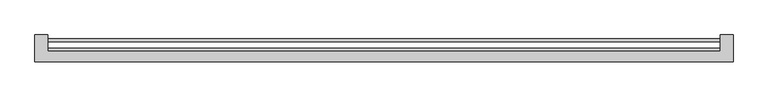
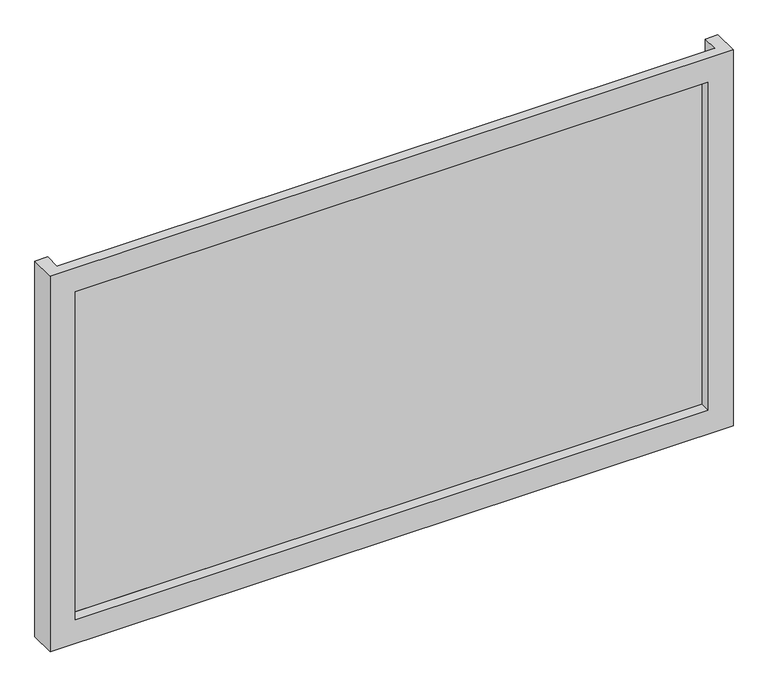
"""IFC4 building model written with IfcOpenShell, lengths in millimetres: plate geometry."""

import ifcopenshell
import ifcopenshell.guid

model = None  # the IFC model being written
_history = None  # IfcOwnerHistory: only IFC2X3 demands one
_inside = {}  # id of a spatial element -> (the spatial element, [elements in it])
_under = {}  # id of a project, library or spatial element -> (it, [spatial elements below it])
_declared = {}  # id of a project -> (the project, [libraries it declares])
_typed = {}  # id of a type object -> (the type object, [elements of that type])
_made_of = {}  # id of a material, layer set ... -> (it, [elements and type objects made of it])


def new_model(schema):
    """Start an empty IFC model of exactly this schema.

    Asked for "IFC4X3", IfcOpenShell would pick the latest addendum, in which some entities
    have other attributes; the version numbers below select the first issue.
    IFC2X3 requires an IfcOwnerHistory on every rooted entity: one is made here for all.
    """
    global model, _history
    if schema == "IFC4X3":
        model = ifcopenshell.file(schema_version=(4, 3, 0, 0))
    else:
        model = ifcopenshell.file(schema=schema)
    _inside.clear()
    _under.clear()
    _declared.clear()
    _typed.clear()
    _made_of.clear()
    _history = None
    if model.schema == "IFC2X3":
        org = make("IfcOrganization", Name="unknown")
        user = make(
            "IfcPersonAndOrganization",
            ThePerson=make("IfcPerson", FamilyName="unknown"),
            TheOrganization=org,
        )
        app = make(
            "IfcApplication",
            ApplicationDeveloper=org,
            Version="unknown",
            ApplicationFullName="unknown",
            ApplicationIdentifier="unknown",
        )
        _history = make(
            "IfcOwnerHistory",
            OwningUser=user,
            OwningApplication=app,
            ChangeAction="ADDED",
            CreationDate=0,
        )
    return model


def make(cls, **values):
    """One entity of the class cls with the attributes given. An attribute that is None is left unset."""
    return model.create_entity(
        cls, **{name: value for name, value in values.items() if value is not None}
    )


def rooted(cls, **values):
    """An entity with a GlobalId (a new one), such as an element, a storey or a relation."""
    return make(cls, GlobalId=ifcopenshell.guid.new(), OwnerHistory=_history, **values)


def si_unit(unit_type, name, prefix=None):
    """IfcSIUnit, for example si_unit("LENGTHUNIT", "METRE", prefix="MILLI")."""
    return make("IfcSIUnit", UnitType=unit_type, Prefix=prefix, Name=name)


def assignment(units):
    """IfcUnitAssignment: the units of a project."""
    return None if units is None else make("IfcUnitAssignment", Units=units)


def point(xyz):
    """IfcCartesianPoint."""
    return None if xyz is None else make("IfcCartesianPoint", Coordinates=xyz)


def direction(xyz):
    """IfcDirection."""
    return None if xyz is None else make("IfcDirection", DirectionRatios=xyz)


def frame(location, z_axis=None, x_axis=None):
    """IfcAxis2Placement3D, a coordinate frame: its origin and axes. An axis left out is left unset."""
    return make(
        "IfcAxis2Placement3D",
        Location=point(location),
        Axis=direction(z_axis),
        RefDirection=direction(x_axis),
    )


def origin():
    """The frame at (0, 0, 0) with its axes left unset."""
    return frame((0.0, 0.0, 0.0))


def origin_with_axes():
    """The frame at (0, 0, 0) with the z axis (0, 0, 1) and the x axis (1, 0, 0) written out."""
    return frame((0.0, 0.0, 0.0), z_axis=(0.0, 0.0, 1.0), x_axis=(1.0, 0.0, 0.0))


def place(relative_to, where):
    """IfcLocalPlacement: puts the frame where relative to a parent placement (None: the world)."""
    return make(
        "IfcLocalPlacement", PlacementRelTo=relative_to, RelativePlacement=where
    )


def context(
    kind, dimensions, precision=None, world=None, true_north=None, identifier=None
):
    """IfcGeometricRepresentationContext, for example the 3D "Model" context."""
    return make(
        "IfcGeometricRepresentationContext",
        ContextIdentifier=identifier,
        ContextType=kind,
        CoordinateSpaceDimension=dimensions,
        Precision=precision,
        WorldCoordinateSystem=world,
        TrueNorth=true_north,
    )


def project(units=None, contexts=None):
    """IfcProject with its units and contexts."""
    return rooted(
        "IfcProject",
        Name="project",
        RepresentationContexts=contexts,
        UnitsInContext=assignment(units),
    )


def spatial(cls, under=None, at=None, **own):
    """A site, building, storey or space (cls), placed at a placement, below another one or the project."""
    s = rooted(cls, ObjectPlacement=at, **own)
    if under is not None:
        _under.setdefault(under.id(), (under, []))[1].append(s)
    return s


def polyline(points):
    """IfcPolyline through the points."""
    return make("IfcPolyline", Points=[point(p) for p in points])


def outline(outer, holes=None, kind="AREA"):
    """IfcArbitraryClosedProfileDef: a profile drawn as a closed curve; with holes, ...WithVoids."""
    if holes is None:
        return make("IfcArbitraryClosedProfileDef", ProfileType=kind, OuterCurve=outer)
    return make(
        "IfcArbitraryProfileDefWithVoids",
        ProfileType=kind,
        OuterCurve=outer,
        InnerCurves=holes,
    )


def extrude(swept, where, along, depth):
    """IfcExtrudedAreaSolid: the profile swept, set in the frame where, extruded along a direction by depth."""
    return make(
        "IfcExtrudedAreaSolid",
        SweptArea=swept,
        Position=where,
        ExtrudedDirection=direction(along),
        Depth=depth,
    )


def faces_of(points, faces, orient=None, outer=None):
    """IfcFace entities. A face is a list of loops; a loop is a list of indices into points, from 0.

    orient and outer hold one flag for each loop. By default every Orientation is true, the
    first loop of a face is its IfcFaceOuterBound and the others are IfcFaceBound.
    """
    made = []
    for i, loops in enumerate(faces):
        bounds = []
        for j, loop in enumerate(loops):
            is_outer = j == 0 if outer is None else outer[i][j]
            bounds.append(
                make(
                    "IfcFaceOuterBound" if is_outer else "IfcFaceBound",
                    Bound=make("IfcPolyLoop", Polygon=[points[k] for k in loop]),
                    Orientation=True if orient is None else orient[i][j],
                )
            )
        made.append(make("IfcFace", Bounds=bounds))
    return made


def faceted_brep(points, faces, orient=None, outer=None, voids=None):
    """IfcFacetedBrep: a solid bounded by flat faces; with voids (closed shells), ...WithVoids."""
    shared = [point(p) for p in points]
    hull = make("IfcClosedShell", CfsFaces=faces_of(shared, faces, orient, outer))
    if voids is None:
        return make("IfcFacetedBrep", Outer=hull)
    return make(
        "IfcFacetedBrepWithVoids",
        Outer=hull,
        Voids=[
            make(cls, CfsFaces=faces_of(shared, fs, o, b)) for cls, fs, o, b in voids
        ],
    )


def shape(context_of_items, identifier, shape_type, items):
    """IfcShapeRepresentation: the items that make up one representation, for example the "Body"."""
    return make(
        "IfcShapeRepresentation",
        ContextOfItems=context_of_items,
        RepresentationIdentifier=identifier,
        RepresentationType=shape_type,
        Items=items,
    )


def source(mapping_origin, context_of_items, identifier, shape_type, items):
    """IfcRepresentationMap: a shape defined once, which mapped items show again and again."""
    return make(
        "IfcRepresentationMap",
        MappingOrigin=mapping_origin,
        MappedRepresentation=shape(context_of_items, identifier, shape_type, items),
    )


def transform(
    local_origin,
    x_axis=None,
    y_axis=None,
    z_axis=None,
    scale=None,
    scale2=None,
    scale3=None,
    uniform=True,
):
    """IfcCartesianTransformationOperator3D, or its non-uniform kind. x_axis, y_axis, z_axis: its Axis1, 2, 3."""
    if uniform:
        return make(
            "IfcCartesianTransformationOperator3D",
            Axis1=direction(x_axis),
            Axis2=direction(y_axis),
            LocalOrigin=point(local_origin),
            Scale=scale,
            Axis3=direction(z_axis),
        )
    return make(
        "IfcCartesianTransformationOperator3DnonUniform",
        Axis1=direction(x_axis),
        Axis2=direction(y_axis),
        LocalOrigin=point(local_origin),
        Scale=scale,
        Axis3=direction(z_axis),
        Scale2=scale2,
        Scale3=scale3,
    )


def mapped(mapping_source, mapping_target):
    """IfcMappedItem: shows the shape of a source again, moved by a transform."""
    return make(
        "IfcMappedItem", MappingSource=mapping_source, MappingTarget=mapping_target
    )


def made_of(thing, what):
    """Note that an element or type object is made of a material, layer set ...; save() writes the relation."""
    if what is not None:
        _made_of.setdefault(what.id(), (what, []))[1].append(thing)
    return thing


def element(
    cls,
    number,
    at=None,
    inside=None,
    cuts=None,
    type_object=None,
    material=None,
    context=None,
    identifier="Body",
    shape_type=None,
    held_by="IfcProductDefinitionShape",
    body=None,
    shapes=None,
    **own,
):
    """One element of the class cls, such as IfcWall. Its Tag is "e" and its number.

    at: its placement. inside: the storey or other place that contains it. cuts: it is an
    opening in that element (IfcRelVoidsElement). A single representation is given by context,
    identifier, shape_type and body (its items); several are given by shapes. held_by: the class
    of the entity that holds the representations. save() writes the other relations.
    """
    e = rooted(cls, Tag="e%d" % number, ObjectPlacement=at, **own)
    if body is not None:
        shapes = [shape(context, identifier, shape_type, body)]
    if shapes is not None:
        e.Representation = make(held_by, Representations=shapes)
    if inside is not None:
        _inside.setdefault(inside.id(), (inside, []))[1].append(e)
    if cuts is not None:
        rooted(
            "IfcRelVoidsElement", RelatingBuildingElement=cuts, RelatedOpeningElement=e
        )
    if type_object is not None:
        _typed.setdefault(type_object.id(), (type_object, []))[1].append(e)
    return made_of(e, material)


def aggregate(whole, parts):
    """IfcRelAggregates: a whole, such as a stair, and the parts it consists of."""
    return rooted("IfcRelAggregates", RelatingObject=whole, RelatedObjects=parts)


def save(model, path):
    """Write the relations noted so far, then the file.

    IfcRelAggregates (storeys below a building ...), IfcRelContainedInSpatialStructure (elements
    in a storey), IfcRelDefinesByType, IfcRelAssociatesMaterial and IfcRelDeclares: one each for
    every whole, place, type object, material and project.
    """
    for whole, parts in _under.values():
        aggregate(whole, parts)
    for where, things in _inside.values():
        rooted(
            "IfcRelContainedInSpatialStructure",
            RelatedElements=things,
            RelatingStructure=where,
        )
    for kind, things in _typed.values():
        rooted("IfcRelDefinesByType", RelatedObjects=things, RelatingType=kind)
    for what, things in _made_of.values():
        rooted("IfcRelAssociatesMaterial", RelatedObjects=things, RelatingMaterial=what)
    for by, libraries in _declared.values():
        rooted("IfcRelDeclares", RelatingContext=by, RelatedDefinitions=libraries)
    model.write(path)


def plate_a0faae21(model_context):
    return source(origin(), model_context, "Body", "SolidModel", [
        faceted_brep([(675.0, -51.0, -50.0), (675.0, -103.0, -50.0), (-675.0, -103.0, -50.0), (-675.0, -51.0, -50.0), (-650.0, -51.0, -50.0), (-650.0, -83.0, -50.0), (650.0, -83.0, -50.0), (650.0, -51.0, -50.0), (625.0, -103.0, 0.0), (625.0, -83.0, 0.0), (-625.0, -83.0, 0.0), (-625.0, -103.0, 0.0), (675.0, -103.0, 735.0), (-675.0, -103.0, 735.0), (-625.0, -103.0, 685.0), (625.0, -103.0, 685.0), (-650.0, -83.0, 735.0), (650.0, -83.0, 735.0), (625.0, -83.0, 685.0), (-625.0, -83.0, 685.0), (675.0, -51.0, 735.0), (650.0, -51.0, 735.0), (-650.0, -51.0, 735.0), (-675.0, -51.0, 735.0)], [[[0, 1, 2, 3, 4, 5, 6, 7]], [[8, 9, 10, 11]], [[12, 13, 2, 1], [11, 14, 15, 8]], [[16, 17, 6, 5], [9, 18, 19, 10]], [[20, 21, 17, 16, 22, 23, 13, 12]], [[20, 0, 7, 21]], [[21, 7, 6, 17]], [[8, 15, 18, 9]], [[12, 1, 0, 20]], [[22, 4, 3, 23]], [[16, 5, 4, 22]], [[10, 19, 14, 11]], [[23, 3, 2, 13]], [[18, 15, 14, 19]]]),
        extrude(outline(polyline([(650.0, -77.0), (650.0, -83.0), (-650.0, -83.0), (-650.0, -77.0), (650.0, -77.0)])), origin_with_axes(), (0.0, 0.0, 1.0), 685.0),
        extrude(outline(polyline([(650.0, -64.4), (-650.0, -64.4), (-650.0, -58.0), (650.0, -58.0), (650.0, -64.4)])), origin_with_axes(), (0.0, 0.0, 1.0), 685.0),
    ])


if __name__ == "__main__":
    model = new_model("IFC4")
    model_context = context("Model", 3, world=origin())
    ifc_project = project(units=[si_unit("LENGTHUNIT", "METRE", prefix="MILLI")], contexts=[model_context])
    site = spatial("IfcSite", under=ifc_project)
    building = spatial("IfcBuilding", under=site)
    placement = place(None, origin())
    plate_shape = plate_a0faae21(model_context)
    element("IfcPlate", 1, at=placement, inside=building, context=model_context, shape_type="MappedRepresentation", body=[
        mapped(plate_shape, transform((0.0, 0.0, 0.0), x_axis=(1.0, 0.0, 0.0), y_axis=(0.0, 1.0, 0.0), z_axis=(0.0, 0.0, 1.0))),
    ])
    save(model, "model.ifc")
